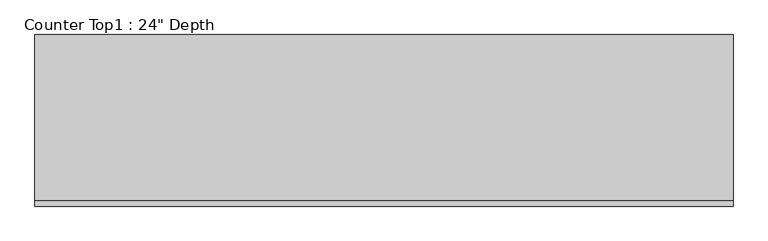
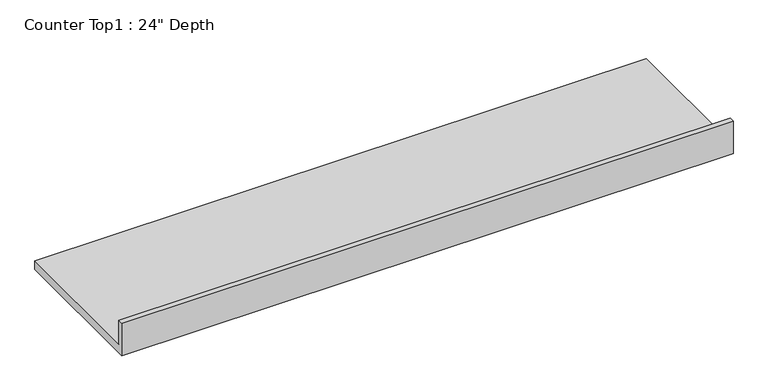
"""IFC4 building model written with IfcOpenShell, lengths in millimetres: furniture geometry."""

from ifc_helpers import new_model, si_unit, frame, origin, place, context, project, spatial, polyline, outline, extrude, source, transform, mapped, element, save


def furniture_c19d44e7(model_context):
    return source(origin(), model_context, "Body", "SweptSolid", [
        extrude(outline(polyline([(0.0, 1016.0), (19.05, 1016.0), (19.05, 914.4), (609.6, 914.4), (609.6, 876.3), (0.0, 876.3), (0.0, 1016.0)])), frame((-1200.4622951, 0.0, 0.0), z_axis=(1.0, 0.0, 0.0), x_axis=(0.0, 1.0, 0.0)), (0.0, 0.0, 1.0), 2480.2070133),
    ])


if __name__ == "__main__":
    model = new_model("IFC4")
    model_context = context("Model", 3, world=origin())
    ifc_project = project(units=[si_unit("LENGTHUNIT", "METRE", prefix="MILLI")], contexts=[model_context])
    site = spatial("IfcSite", under=ifc_project)
    building = spatial("IfcBuilding", under=site)
    placement = place(None, origin())
    furniture_shape = furniture_c19d44e7(model_context)
    element("IfcFurniture", 1, ObjectType="Counter Top1 : 24\" Depth", at=placement, inside=building, context=model_context, shape_type="MappedRepresentation", body=[
        mapped(furniture_shape, transform((0.0, 0.0, 0.0), x_axis=(1.0, 0.0, 0.0), y_axis=(0.0, 1.0, 0.0), z_axis=(0.0, 0.0, 1.0))),
    ])
    save(model, "model.ifc")
